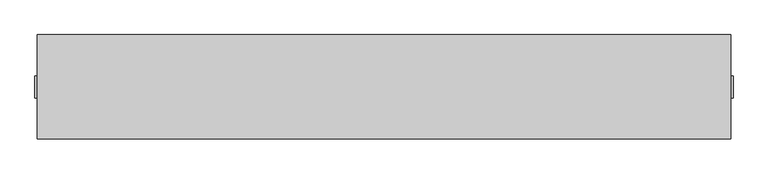
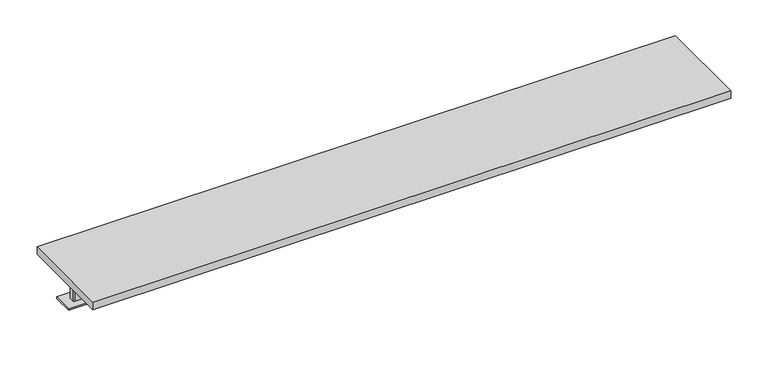
"""IFC4 building model written with IfcOpenShell, lengths in millimetres: furniture geometry."""

from ifc_helpers import new_model, si_unit, frame, origin, place, context, project, spatial, polyline, outline, extrude, source, transform, mapped, element, save


def furniture_f01f5263(model_context):
    return source(origin(), model_context, "Body", "SweptSolid", [
        extrude(outline(polyline([(518.9728, 236.601), (522.1478, 233.426), (522.1478, 214.376), (518.9728, 211.201), (484.0478, 211.201), (480.8728, 214.376), (480.8728, 233.426), (484.0478, 236.601), (518.9728, 236.601)])), frame((0.0, 0.0, 877.824), z_axis=(0.0, 0.0, 1.0), x_axis=(1.0, 0.0, 0.0)), (0.0, 0.0, 1.0), 75.54214),
        extrude(outline(polyline([(598.6272, 236.601), (633.5522, 236.601), (636.7272, 233.426), (636.7272, 214.376), (633.5522, 211.201), (598.6272, 211.201), (595.4522, 214.376), (595.4522, 233.426), (598.6272, 236.601)])), frame((0.0, 0.0, 877.824), z_axis=(0.0, 0.0, 1.0), x_axis=(1.0, 0.0, 0.0)), (0.0, 0.0, 1.0), 75.54214),
        extrude(outline(polyline([(542.3662, 325.501), (542.3662, 122.301), (389.9662, 122.301), (389.9662, 325.501), (542.3662, 325.501)])), frame((0.0, 0.0, 953.36614), z_axis=(0.0, 0.0, 1.0), x_axis=(1.0, 0.0, 0.0)), (0.0, 0.0, 1.0), 4.7752),
        extrude(outline(polyline([(727.6338, 325.501), (727.6338, 122.301), (575.2338, 122.301), (575.2338, 325.501), (727.6338, 325.501)])), frame((0.0, 0.0, 953.36614), z_axis=(0.0, 0.0, 1.0), x_axis=(1.0, 0.0, 0.0)), (0.0, 0.0, 1.0), 4.7752),
        extrude(outline(polyline([(1769.4275, 406.4), (1769.4275, 41.402), (-651.8275, 41.402), (-651.8275, 406.4), (1769.4275, 406.4)])), frame((0.0, 0.0, 958.14134), z_axis=(0.0, 0.0, 1.0), x_axis=(1.0, 0.0, 0.0)), (0.0, 0.0, 1.0), 29.8704),
        extrude(outline(polyline([(-493.7887, 325.501), (-493.7887, 122.301), (-646.1887, 122.301), (-646.1887, 325.501), (-493.7887, 325.501)])), frame((0.0, 0.0, 953.36614), z_axis=(0.0, 0.0, 1.0), x_axis=(1.0, 0.0, 0.0)), (0.0, 0.0, 1.0), 4.7752),
        extrude(outline(polyline([(1611.3887, 325.501), (1763.7887, 325.501), (1763.7887, 122.301), (1611.3887, 122.301), (1611.3887, 325.501)])), frame((0.0, 0.0, 953.36614), z_axis=(0.0, 0.0, 1.0), x_axis=(1.0, 0.0, 0.0)), (0.0, 0.0, 1.0), 4.7752),
        extrude(outline(polyline([(-625.9703, 214.376), (-625.9703, 233.426), (-622.7953, 236.601), (-587.8703, 236.601), (-584.6953, 233.426), (-584.6953, 214.376), (-587.8703, 211.201), (-622.7953, 211.201), (-625.9703, 214.376)])), frame((0.0, 0.0, 877.824), z_axis=(0.0, 0.0, 1.0), x_axis=(1.0, 0.0, 0.0)), (0.0, 0.0, 1.0), 75.54214),
        extrude(outline(polyline([(1743.5703, 214.376), (1740.3953, 211.201), (1705.4703, 211.201), (1702.2953, 214.376), (1702.2953, 233.426), (1705.4703, 236.601), (1740.3953, 236.601), (1743.5703, 233.426), (1743.5703, 214.376)])), frame((0.0, 0.0, 877.824), z_axis=(0.0, 0.0, 1.0), x_axis=(1.0, 0.0, 0.0)), (0.0, 0.0, 1.0), 75.54214),
        extrude(outline(polyline([(1778.0, 262.636), (1778.0, 185.166), (-660.4, 185.166), (-660.4, 262.636), (1778.0, 262.636)])), frame((0.0, 0.0, 870.966), z_axis=(0.0, 0.0, 1.0), x_axis=(1.0, 0.0, 0.0)), (0.0, 0.0, 1.0), 6.858),
    ])


if __name__ == "__main__":
    model = new_model("IFC4")
    model_context = context("Model", 3, world=origin())
    ifc_project = project(units=[si_unit("LENGTHUNIT", "METRE", prefix="MILLI")], contexts=[model_context])
    site = spatial("IfcSite", under=ifc_project)
    building = spatial("IfcBuilding", under=site)
    placement = place(None, origin())
    furniture_shape = furniture_f01f5263(model_context)
    element("IfcFurniture", 1, at=placement, inside=building, context=model_context, shape_type="MappedRepresentation", body=[
        mapped(furniture_shape, transform((0.0, 0.0, 0.0), x_axis=(1.0, 0.0, 0.0), y_axis=(0.0, 1.0, 0.0), z_axis=(0.0, 0.0, 1.0))),
    ])
    save(model, "model.ifc")
